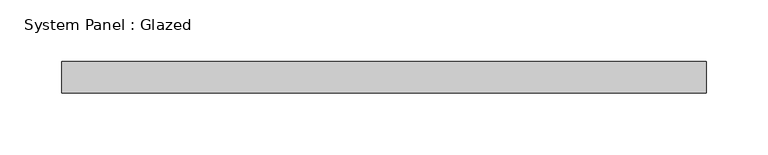
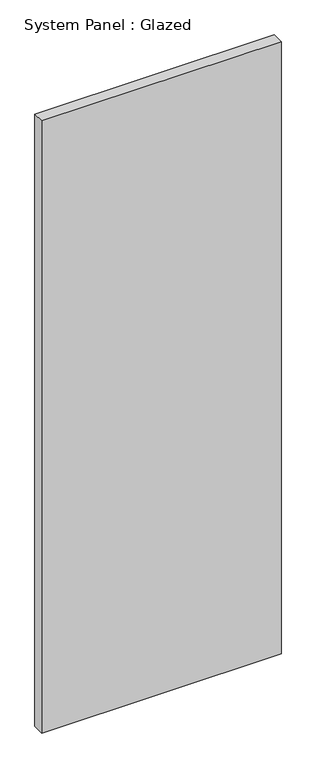
"""IFC4 building model written with IfcOpenShell, lengths in millimetres: plate geometry, System Panel : Glazed."""

import ifcopenshell
import ifcopenshell.guid

model = None  # the IFC model being written
_history = None  # IfcOwnerHistory: only IFC2X3 demands one
_inside = {}  # id of a spatial element -> (the spatial element, [elements in it])
_under = {}  # id of a project, library or spatial element -> (it, [spatial elements below it])
_declared = {}  # id of a project -> (the project, [libraries it declares])
_typed = {}  # id of a type object -> (the type object, [elements of that type])
_made_of = {}  # id of a material, layer set ... -> (it, [elements and type objects made of it])


def new_model(schema):
    """Start an empty IFC model of exactly this schema.

    Asked for "IFC4X3", IfcOpenShell would pick the latest addendum, in which some entities
    have other attributes; the version numbers below select the first issue.
    IFC2X3 requires an IfcOwnerHistory on every rooted entity: one is made here for all.
    """
    global model, _history
    if schema == "IFC4X3":
        model = ifcopenshell.file(schema_version=(4, 3, 0, 0))
    else:
        model = ifcopenshell.file(schema=schema)
    _inside.clear()
    _under.clear()
    _declared.clear()
    _typed.clear()
    _made_of.clear()
    _history = None
    if model.schema == "IFC2X3":
        org = make("IfcOrganization", Name="unknown")
        user = make(
            "IfcPersonAndOrganization",
            ThePerson=make("IfcPerson", FamilyName="unknown"),
            TheOrganization=org,
        )
        app = make(
            "IfcApplication",
            ApplicationDeveloper=org,
            Version="unknown",
            ApplicationFullName="unknown",
            ApplicationIdentifier="unknown",
        )
        _history = make(
            "IfcOwnerHistory",
            OwningUser=user,
            OwningApplication=app,
            ChangeAction="ADDED",
            CreationDate=0,
        )
    return model


def make(cls, **values):
    """One entity of the class cls with the attributes given. An attribute that is None is left unset."""
    return model.create_entity(
        cls, **{name: value for name, value in values.items() if value is not None}
    )


def rooted(cls, **values):
    """An entity with a GlobalId (a new one), such as an element, a storey or a relation."""
    return make(cls, GlobalId=ifcopenshell.guid.new(), OwnerHistory=_history, **values)


def si_unit(unit_type, name, prefix=None):
    """IfcSIUnit, for example si_unit("LENGTHUNIT", "METRE", prefix="MILLI")."""
    return make("IfcSIUnit", UnitType=unit_type, Prefix=prefix, Name=name)


def assignment(units):
    """IfcUnitAssignment: the units of a project."""
    return None if units is None else make("IfcUnitAssignment", Units=units)


def point(xyz):
    """IfcCartesianPoint."""
    return None if xyz is None else make("IfcCartesianPoint", Coordinates=xyz)


def direction(xyz):
    """IfcDirection."""
    return None if xyz is None else make("IfcDirection", DirectionRatios=xyz)


def frame(location, z_axis=None, x_axis=None):
    """IfcAxis2Placement3D, a coordinate frame: its origin and axes. An axis left out is left unset."""
    return make(
        "IfcAxis2Placement3D",
        Location=point(location),
        Axis=direction(z_axis),
        RefDirection=direction(x_axis),
    )


def origin():
    """The frame at (0, 0, 0) with its axes left unset."""
    return frame((0.0, 0.0, 0.0))


def origin_with_axes():
    """The frame at (0, 0, 0) with the z axis (0, 0, 1) and the x axis (1, 0, 0) written out."""
    return frame((0.0, 0.0, 0.0), z_axis=(0.0, 0.0, 1.0), x_axis=(1.0, 0.0, 0.0))


def place(relative_to, where):
    """IfcLocalPlacement: puts the frame where relative to a parent placement (None: the world)."""
    return make(
        "IfcLocalPlacement", PlacementRelTo=relative_to, RelativePlacement=where
    )


def context(
    kind, dimensions, precision=None, world=None, true_north=None, identifier=None
):
    """IfcGeometricRepresentationContext, for example the 3D "Model" context."""
    return make(
        "IfcGeometricRepresentationContext",
        ContextIdentifier=identifier,
        ContextType=kind,
        CoordinateSpaceDimension=dimensions,
        Precision=precision,
        WorldCoordinateSystem=world,
        TrueNorth=true_north,
    )


def project(units=None, contexts=None):
    """IfcProject with its units and contexts."""
    return rooted(
        "IfcProject",
        Name="project",
        RepresentationContexts=contexts,
        UnitsInContext=assignment(units),
    )


def spatial(cls, under=None, at=None, **own):
    """A site, building, storey or space (cls), placed at a placement, below another one or the project."""
    s = rooted(cls, ObjectPlacement=at, **own)
    if under is not None:
        _under.setdefault(under.id(), (under, []))[1].append(s)
    return s


def polyline(points):
    """IfcPolyline through the points."""
    return make("IfcPolyline", Points=[point(p) for p in points])


def outline(outer, holes=None, kind="AREA"):
    """IfcArbitraryClosedProfileDef: a profile drawn as a closed curve; with holes, ...WithVoids."""
    if holes is None:
        return make("IfcArbitraryClosedProfileDef", ProfileType=kind, OuterCurve=outer)
    return make(
        "IfcArbitraryProfileDefWithVoids",
        ProfileType=kind,
        OuterCurve=outer,
        InnerCurves=holes,
    )


def extrude(swept, where, along, depth):
    """IfcExtrudedAreaSolid: the profile swept, set in the frame where, extruded along a direction by depth."""
    return make(
        "IfcExtrudedAreaSolid",
        SweptArea=swept,
        Position=where,
        ExtrudedDirection=direction(along),
        Depth=depth,
    )


def shape(context_of_items, identifier, shape_type, items):
    """IfcShapeRepresentation: the items that make up one representation, for example the "Body"."""
    return make(
        "IfcShapeRepresentation",
        ContextOfItems=context_of_items,
        RepresentationIdentifier=identifier,
        RepresentationType=shape_type,
        Items=items,
    )


def source(mapping_origin, context_of_items, identifier, shape_type, items):
    """IfcRepresentationMap: a shape defined once, which mapped items show again and again."""
    return make(
        "IfcRepresentationMap",
        MappingOrigin=mapping_origin,
        MappedRepresentation=shape(context_of_items, identifier, shape_type, items),
    )


def transform(
    local_origin,
    x_axis=None,
    y_axis=None,
    z_axis=None,
    scale=None,
    scale2=None,
    scale3=None,
    uniform=True,
):
    """IfcCartesianTransformationOperator3D, or its non-uniform kind. x_axis, y_axis, z_axis: its Axis1, 2, 3."""
    if uniform:
        return make(
            "IfcCartesianTransformationOperator3D",
            Axis1=direction(x_axis),
            Axis2=direction(y_axis),
            LocalOrigin=point(local_origin),
            Scale=scale,
            Axis3=direction(z_axis),
        )
    return make(
        "IfcCartesianTransformationOperator3DnonUniform",
        Axis1=direction(x_axis),
        Axis2=direction(y_axis),
        LocalOrigin=point(local_origin),
        Scale=scale,
        Axis3=direction(z_axis),
        Scale2=scale2,
        Scale3=scale3,
    )


def mapped(mapping_source, mapping_target):
    """IfcMappedItem: shows the shape of a source again, moved by a transform."""
    return make(
        "IfcMappedItem", MappingSource=mapping_source, MappingTarget=mapping_target
    )


def made_of(thing, what):
    """Note that an element or type object is made of a material, layer set ...; save() writes the relation."""
    if what is not None:
        _made_of.setdefault(what.id(), (what, []))[1].append(thing)
    return thing


def element(
    cls,
    number,
    at=None,
    inside=None,
    cuts=None,
    type_object=None,
    material=None,
    context=None,
    identifier="Body",
    shape_type=None,
    held_by="IfcProductDefinitionShape",
    body=None,
    shapes=None,
    **own,
):
    """One element of the class cls, such as IfcWall. Its Tag is "e" and its number.

    at: its placement. inside: the storey or other place that contains it. cuts: it is an
    opening in that element (IfcRelVoidsElement). A single representation is given by context,
    identifier, shape_type and body (its items); several are given by shapes. held_by: the class
    of the entity that holds the representations. save() writes the other relations.
    """
    e = rooted(cls, Tag="e%d" % number, ObjectPlacement=at, **own)
    if body is not None:
        shapes = [shape(context, identifier, shape_type, body)]
    if shapes is not None:
        e.Representation = make(held_by, Representations=shapes)
    if inside is not None:
        _inside.setdefault(inside.id(), (inside, []))[1].append(e)
    if cuts is not None:
        rooted(
            "IfcRelVoidsElement", RelatingBuildingElement=cuts, RelatedOpeningElement=e
        )
    if type_object is not None:
        _typed.setdefault(type_object.id(), (type_object, []))[1].append(e)
    return made_of(e, material)


def aggregate(whole, parts):
    """IfcRelAggregates: a whole, such as a stair, and the parts it consists of."""
    return rooted("IfcRelAggregates", RelatingObject=whole, RelatedObjects=parts)


def save(model, path):
    """Write the relations noted so far, then the file.

    IfcRelAggregates (storeys below a building ...), IfcRelContainedInSpatialStructure (elements
    in a storey), IfcRelDefinesByType, IfcRelAssociatesMaterial and IfcRelDeclares: one each for
    every whole, place, type object, material and project.
    """
    for whole, parts in _under.values():
        aggregate(whole, parts)
    for where, things in _inside.values():
        rooted(
            "IfcRelContainedInSpatialStructure",
            RelatedElements=things,
            RelatingStructure=where,
        )
    for kind, things in _typed.values():
        rooted("IfcRelDefinesByType", RelatedObjects=things, RelatingType=kind)
    for what, things in _made_of.values():
        rooted("IfcRelAssociatesMaterial", RelatedObjects=things, RelatingMaterial=what)
    for by, libraries in _declared.values():
        rooted("IfcRelDeclares", RelatingContext=by, RelatedDefinitions=libraries)
    model.write(path)


def system_panel_glazed_3f5e569b(model_context):
    return source(origin(), model_context, "Body", "SweptSolid", [
        extrude(outline(polyline([(260.746875, -44.45), (-260.746875, -44.45), (-260.746875, -19.05), (260.746875, -19.05), (260.746875, -44.45)])), origin_with_axes(), (0.0, 0.0, 1.0), 1409.7),
    ])


if __name__ == "__main__":
    model = new_model("IFC4")
    model_context = context("Model", 3, world=origin())
    ifc_project = project(units=[si_unit("LENGTHUNIT", "METRE", prefix="MILLI")], contexts=[model_context])
    site = spatial("IfcSite", under=ifc_project)
    building = spatial("IfcBuilding", under=site)
    placement = place(None, origin())
    system_panel_glazed_shape = system_panel_glazed_3f5e569b(model_context)
    element("IfcPlate", 1, ObjectType="System Panel : Glazed", at=placement, inside=building, context=model_context, shape_type="MappedRepresentation", body=[
        mapped(system_panel_glazed_shape, transform((0.0, 0.0, 0.0), x_axis=(1.0, 0.0, 0.0), y_axis=(0.0, 1.0, 0.0), z_axis=(0.0, 0.0, 1.0))),
    ])
    save(model, "model.ifc")
